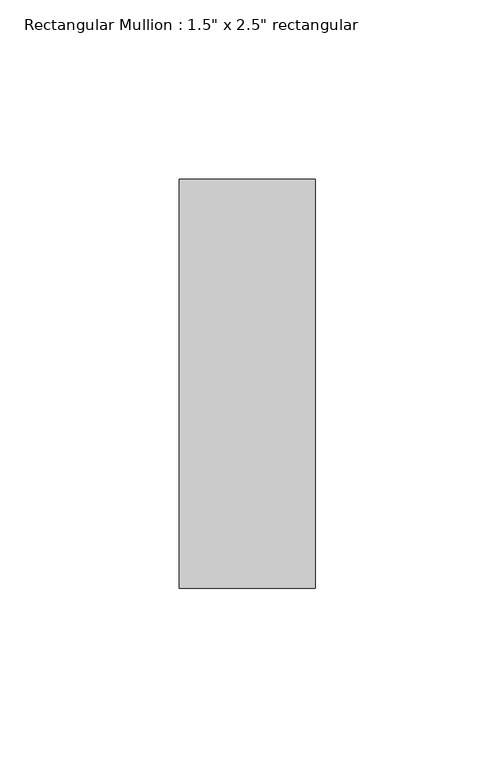
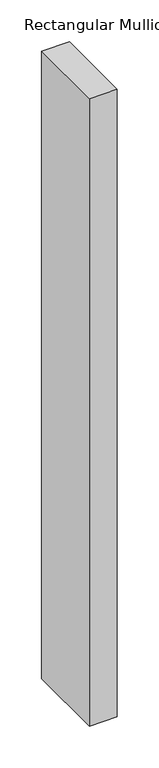
"""IFC4 building model written with IfcOpenShell, lengths in millimetres: member geometry."""

from ifc_helpers import new_model, si_unit, frame, origin, place, context, project, spatial, polyline, outline, extrude, source, transform, mapped, element, save


def member_9d6f6b65(model_context):
    return source(origin(), model_context, "Body", "SweptSolid", [
        extrude(outline(polyline([(0.0, 57.15), (0.0, -57.15), (-38.1, -57.15), (-38.1, 57.15), (0.0, 57.15)])), frame((0.0, 0.0, -914.4), z_axis=(0.0, 0.0, 1.0), x_axis=(1.0, 0.0, 0.0)), (0.0, 0.0, 1.0), 914.4),
    ])


if __name__ == "__main__":
    model = new_model("IFC4")
    model_context = context("Model", 3, world=origin())
    ifc_project = project(units=[si_unit("LENGTHUNIT", "METRE", prefix="MILLI")], contexts=[model_context])
    site = spatial("IfcSite", under=ifc_project)
    building = spatial("IfcBuilding", under=site)
    placement = place(None, origin())
    member_shape = member_9d6f6b65(model_context)
    element("IfcMember", 1, ObjectType="Rectangular Mullion : 1.5\" x 2.5\" rectangular", at=placement, inside=building, context=model_context, shape_type="MappedRepresentation", body=[
        mapped(member_shape, transform((0.0, 0.0, 0.0), x_axis=(1.0, 0.0, 0.0), y_axis=(0.0, 1.0, 0.0), z_axis=(0.0, 0.0, 1.0))),
    ])
    save(model, "model.ifc")
